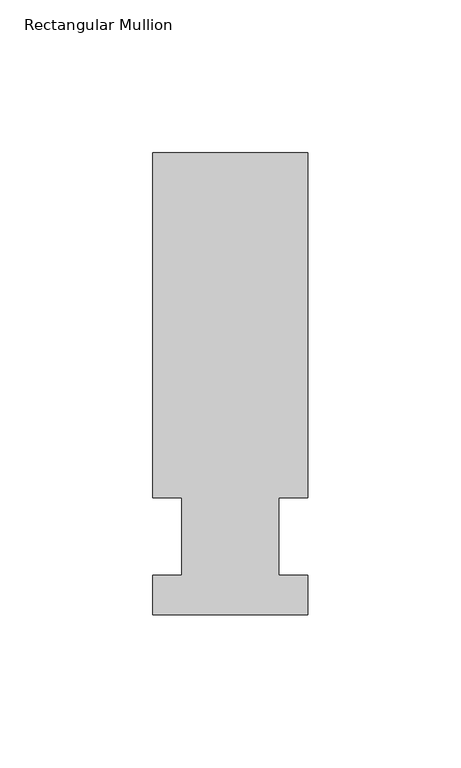
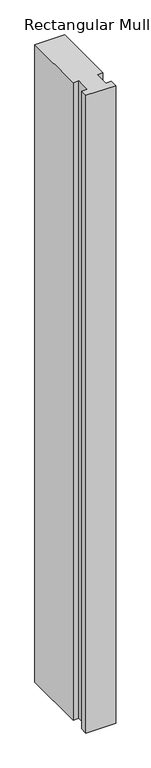
"""IFC4 building model written with IfcOpenShell, lengths in millimetres: member geometry, Rectangular Mullion."""

from ifc_helpers import new_model, si_unit, frame, origin, place, context, project, spatial, polyline, outline, extrude, source, transform, mapped, element, save


def rectangular_mullion_7c059eb1(model_context):
    return source(origin(), model_context, "Body", "SweptSolid", [
        extrude(outline(polyline([(-25.4, -25.58415), (-25.4, -12.7), (-15.875, -12.7), (-15.875, 12.7), (-25.4, 12.7), (-25.4, 125.59665), (25.4, 125.59665), (25.4, 12.7), (15.875, 12.7), (15.875, -12.7), (25.4, -12.7), (25.4, -25.58415), (-25.4, -25.58415)])), frame((0.0, 0.0, -1153.5833333), z_axis=(0.0, 0.0, 1.0), x_axis=(1.0, 0.0, 0.0)), (0.0, 0.0, 1.0), 1153.5833333),
    ])


if __name__ == "__main__":
    model = new_model("IFC4")
    model_context = context("Model", 3, world=origin())
    ifc_project = project(units=[si_unit("LENGTHUNIT", "METRE", prefix="MILLI")], contexts=[model_context])
    site = spatial("IfcSite", under=ifc_project)
    building = spatial("IfcBuilding", under=site)
    placement = place(None, origin())
    rectangular_mullion_shape = rectangular_mullion_7c059eb1(model_context)
    element("IfcMember", 1, ObjectType="Rectangular Mullion", at=placement, inside=building, context=model_context, shape_type="MappedRepresentation", body=[
        mapped(rectangular_mullion_shape, transform((0.0, 0.0, 0.0), x_axis=(1.0, 0.0, 0.0), y_axis=(0.0, 1.0, 0.0), z_axis=(0.0, 0.0, 1.0))),
    ])
    save(model, "model.ifc")
